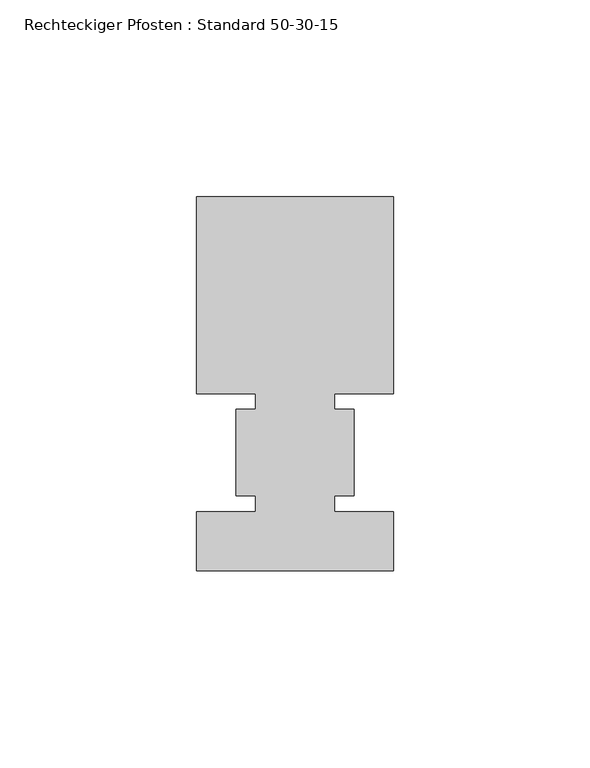
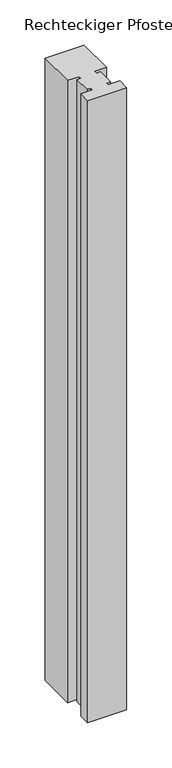
"""IFC4 building model written with IfcOpenShell, lengths in millimetres: member geometry, Rechteckiger Pfosten : Standard 50-30-15."""

from ifc_helpers import new_model, si_unit, frame, origin, place, context, project, spatial, polyline, outline, extrude, source, transform, mapped, element, save


def rechteckiger_pfosten_standard_50_30_15_67e53825(model_context):
    return source(origin(), model_context, "Body", "SweptSolid", [
        extrude(outline(polyline([(-25.0, 65.0), (25.0, 65.0), (25.0, 15.0), (10.0, 15.0), (10.0, 11.0), (15.0, 11.0), (15.0, -11.0), (10.0, -11.0), (10.0, -15.0), (25.0, -15.0), (25.0, -30.0), (-25.0, -30.0), (-25.0, -15.0), (-10.0, -15.0), (-10.0, -11.0), (-15.0, -11.0), (-15.0, 11.0), (-10.0, 11.0), (-10.0, 15.0), (-25.0, 15.0), (-25.0, 65.0)])), frame((0.0, 0.0, -842.4999998), z_axis=(0.0, 0.0, 1.0), x_axis=(1.0, 0.0, 0.0)), (0.0, 0.0, 1.0), 842.4999998),
    ])


if __name__ == "__main__":
    model = new_model("IFC4")
    model_context = context("Model", 3, world=origin())
    ifc_project = project(units=[si_unit("LENGTHUNIT", "METRE", prefix="MILLI")], contexts=[model_context])
    site = spatial("IfcSite", under=ifc_project)
    building = spatial("IfcBuilding", under=site)
    placement = place(None, origin())
    rechteckiger_pfosten_standard_50_30_15_shape = rechteckiger_pfosten_standard_50_30_15_67e53825(model_context)
    element("IfcMember", 1, ObjectType="Rechteckiger Pfosten : Standard 50-30-15", at=placement, inside=building, context=model_context, shape_type="MappedRepresentation", body=[
        mapped(rechteckiger_pfosten_standard_50_30_15_shape, transform((0.0, 0.0, 0.0), x_axis=(1.0, 0.0, 0.0), y_axis=(0.0, 1.0, 0.0), z_axis=(0.0, 0.0, 1.0))),
    ])
    save(model, "model.ifc")
